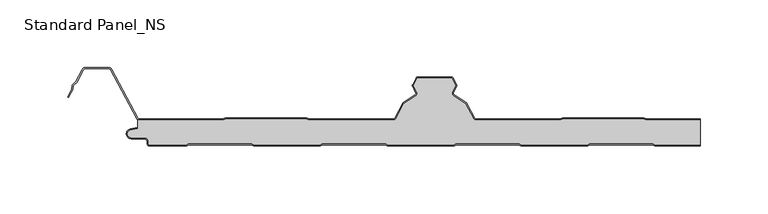
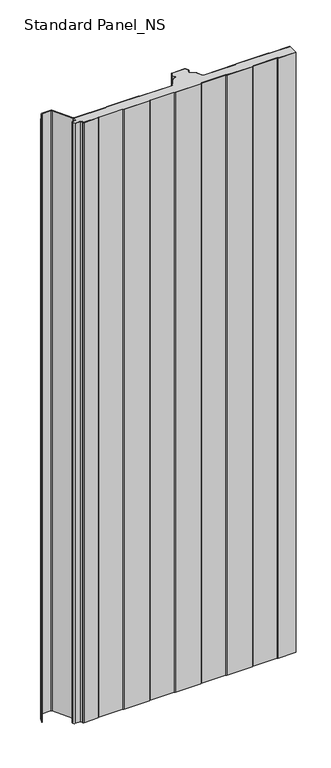
"""IFC4 building model written with IfcOpenShell, lengths in millimetres: proxy geometry, Standard Panel_NS."""

from ifc_helpers import new_model, si_unit, point, frame_2d, origin, origin_with_axes, place, context, project, spatial, polyline, circle_curve, trimmed, segment, composite_curve, outline, extrude, source, transform, mapped, element, save


def standard_panel_ns_5cf96f66(model_context):
    return source(origin(), model_context, "Body", "SweptSolid", [
        extrude(outline(composite_curve([segment(polyline([(-191.3607504, 19.186297), (-130.0661789, 19.186297), (-127.6845456, 20.1546867), (-67.8932049, 20.1546867), (-65.5115715, 19.186297), (-3.3723047, 19.186297)]), True, "CONTINUOUS"), segment(trimmed(circle_curve(frame_2d((-3.3750906, 20.9862949)), 1.8), [point((-3.3723047, 19.186297))], [point((-1.7857934, 20.1412302))], True, "CARTESIAN"), True, "CONTINUOUS"), segment(polyline([(-1.7857934, 20.1412302), (4.3386275, 31.6593134), (13.3220194, 37.3469308)]), True, "CONTINUOUS"), segment(trimmed(circle_curve(frame_2d((12.3591509, 38.8677478)), 1.8), [point((13.3220194, 37.3469308))], [point((13.9681734, 39.6746224))], True, "CARTESIAN"), True, "CONTINUOUS"), segment(polyline([(13.9681734, 39.6746224), (11.3711036, 44.8535484), (14.3485893, 50.4532499), (39.8425575, 50.4532499), (42.8256576, 44.8427209), (40.2338477, 39.6745401)]), True, "CONTINUOUS"), segment(trimmed(circle_curve(frame_2d((41.8428542, 38.8676336)), 1.8), [point((40.2338477, 39.6745401))], [point((40.8799555, 37.3468358))], True, "CARTESIAN"), True, "CONTINUOUS"), segment(polyline([(40.8799555, 37.3468358), (49.8465774, 31.6695862), (55.9762236, 20.1411234)]), True, "CONTINUOUS"), segment(trimmed(circle_curve(frame_2d((57.5653038, 20.9860322)), 1.7997352), [point((55.9762236, 20.1411234))], [point((57.5653038, 19.186297))], True, "CARTESIAN"), True, "CONTINUOUS"), segment(polyline([(57.5653038, 19.186297), (119.7028683, 19.186297), (122.0845088, 20.1546867), (181.8758496, 20.1546867), (184.2574895, 19.186297), (223.9042607, 19.186297), (223.9042607, 0.8), (190.1930584, 0.8), (188.4185569, 1.8), (141.9945958, 1.8), (140.262545, 0.8), (91.1930584, 0.8), (89.4185569, 1.8), (42.9945958, 1.8), (41.262545, 0.8), (-7.8087363, 0.8), (-9.5407871, 1.8), (-56.0054042, 1.8), (-57.737455, 0.786297), (-106.8069416, 0.786297), (-108.5814431, 1.786297), (-155.0054042, 1.786297), (-156.737455, 0.786297), (-183.7507504, 0.786297)]), True, "CONTINUOUS"), segment(trimmed(circle_curve(frame_2d((-183.7507504, 2.036297)), 1.25), [point((-183.7507504, 0.786297))], [point((-185.0007504, 2.036297))], False, "CARTESIAN"), True, "CONTINUOUS"), segment(polyline([(-185.0007504, 2.036297), (-185.0007504, 3.436297)]), True, "CONTINUOUS"), segment(trimmed(circle_curve(frame_2d((-187.7507504, 3.436297)), 2.75), [point((-185.0007504, 3.436297))], [point((-187.7507504, 6.186297))], True, "CARTESIAN"), True, "CONTINUOUS"), segment(polyline([(-187.7507504, 6.186297), (-197.5507504, 6.186297)]), True, "CONTINUOUS"), segment(trimmed(circle_curve(frame_2d((-197.5507504, 9.036297)), 2.85), [point((-197.5507504, 6.186297))], [point((-198.1918609, 11.8132517))], False, "CARTESIAN"), True, "CONTINUOUS"), segment(polyline([(-198.1918609, 11.8132517), (-192.7486452, 13.0699171), (-192.7486452, 19.5970804)]), True, "CONTINUOUS"), segment(trimmed(circle_curve(frame_2d((-191.3607504, 21.736297)), 2.55), [point((-192.7486452, 19.5970804))], [point((-191.3607504, 19.186297))], True, "CARTESIAN"), True, "CONTINUOUS")], self_intersect=False)), origin_with_axes(), (0.0, 0.0, 1.0), 1219.2),
        extrude(outline(composite_curve([segment(polyline([(189.9831604, 0.0), (188.2086589, 1.0), (142.2089551, 1.0), (140.4769043, 0.0), (90.9831604, 0.0), (89.2086589, 1.0), (43.2089551, 1.0), (41.4769043, 0.0), (-8.0230957, 0.0), (-9.7551465, 1.0), (-55.7910449, 1.0), (-57.5230957, -0.013703), (-107.0168396, -0.013703), (-108.7913411, 0.986297), (-154.7910449, 0.986297), (-156.5230957, -0.013703), (-183.7507504, -0.013703)]), True, "CONTINUOUS"), segment(trimmed(circle_curve(frame_2d((-183.7507504, 2.036297)), 2.05), [point((-183.7507504, -0.013703))], [point((-185.8007504, 2.036297))], False, "CARTESIAN"), True, "CONTINUOUS"), segment(polyline([(-185.8007504, 2.036297), (-185.8007504, 3.436297)]), True, "CONTINUOUS"), segment(trimmed(circle_curve(frame_2d((-187.7507504, 3.436297)), 1.95), [point((-185.8007504, 3.436297))], [point((-187.7507504, 5.386297))], True, "CARTESIAN"), True, "CONTINUOUS"), segment(polyline([(-187.7507504, 5.386297), (-197.5507504, 5.386297)]), True, "CONTINUOUS"), segment(trimmed(circle_curve(frame_2d((-197.5507504, 9.036297)), 3.65), [point((-197.5507504, 5.386297))], [point((-198.3718217, 12.5927478))], False, "CARTESIAN"), True, "CONTINUOUS"), segment(polyline([(-198.3718217, 12.5927478), (-192.9286061, 13.8494131), (-192.7486452, 13.0699171), (-198.1918609, 11.8132517)]), True, "CONTINUOUS"), segment(trimmed(circle_curve(frame_2d((-197.5507504, 9.036297)), 2.85), [point((-198.1918609, 11.8132517))], [point((-197.5507504, 6.186297))], True, "CARTESIAN"), True, "CONTINUOUS"), segment(polyline([(-197.5507504, 6.186297), (-187.7507504, 6.186297)]), True, "CONTINUOUS"), segment(trimmed(circle_curve(frame_2d((-187.7507504, 3.436297)), 2.75), [point((-187.7507504, 6.186297))], [point((-185.0007504, 3.436297))], False, "CARTESIAN"), True, "CONTINUOUS"), segment(polyline([(-185.0007504, 3.436297), (-185.0007504, 2.036297)]), True, "CONTINUOUS"), segment(trimmed(circle_curve(frame_2d((-183.7507504, 2.036297)), 1.25), [point((-185.0007504, 2.036297))], [point((-183.7507504, 0.786297))], True, "CARTESIAN"), True, "CONTINUOUS"), segment(polyline([(-183.7507504, 0.786297), (-156.737455, 0.786297), (-155.0054042, 1.786297), (-108.5814431, 1.786297), (-106.8069416, 0.786297), (-57.737455, 0.786297), (-56.0054042, 1.8), (-9.5407871, 1.8), (-7.8087363, 0.8), (41.262545, 0.8), (42.9945958, 1.8), (89.4185569, 1.8), (91.1930584, 0.8), (140.262545, 0.8), (141.9945958, 1.8), (188.4185569, 1.8), (190.1930584, 0.8), (223.9042607, 0.8), (223.9042607, 0.0), (189.9831604, 0.0)]), True, "CONTINUOUS")], self_intersect=False)), origin_with_axes(), (0.0, 0.0, 1.0), 1219.2),
        extrude(outline(composite_curve([segment(polyline([(-191.3607504, 20.0), (-130.2226037, 20.0), (-127.8409703, 20.9683897), (-67.7367801, 20.9683897), (-65.3551468, 20.0), (-3.3730141, 20.0)]), True, "CONTINUOUS"), segment(trimmed(circle_curve(frame_2d((-3.3750906, 20.9999978)), 1.0), [point((-3.3730141, 20.0))], [point((-2.4921477, 20.5305175))], True, "CARTESIAN"), True, "CONTINUOUS"), segment(polyline([(-2.4921477, 20.5305175), (3.7317189, 32.2356263), (12.8940779, 38.0365524)]), True, "CONTINUOUS"), segment(trimmed(circle_curve(frame_2d((12.3591509, 38.8814507)), 1.0), [point((12.8940779, 38.0365524))], [point((13.2530523, 39.3297144))], True, "CARTESIAN"), True, "CONTINUOUS"), segment(polyline([(13.2530523, 39.3297144), (10.7022883, 44.4163001)]), True, "CONTINUOUS"), segment(trimmed(circle_curve(frame_2d((11.5961897, 44.8645637)), 1.0), [point((10.7022883, 44.4163001))], [point((10.7132468, 45.3340441))], False, "CARTESIAN"), True, "CONTINUOUS"), segment(polyline([(10.7132468, 45.3340441), (13.4449029, 50.4714183)]), True, "CONTINUOUS"), segment(trimmed(circle_curve(frame_2d((14.7693172, 49.7671978)), 1.5), [point((13.4449029, 50.4714183))], [point((14.7964212, 51.2669529))], False, "CARTESIAN"), True, "CONTINUOUS"), segment(polyline([(14.7964212, 51.2669529), (39.4219504, 51.2669529)]), True, "CONTINUOUS"), segment(trimmed(circle_curve(frame_2d((39.4219504, 49.7669529)), 1.5), [point((39.4219504, 51.2669529))], [point((40.7463788, 50.4711471))], False, "CARTESIAN"), True, "CONTINUOUS"), segment(polyline([(40.7463788, 50.4711471), (43.4835237, 45.3232034)]), True, "CONTINUOUS"), segment(trimmed(circle_curve(frame_2d((42.6005714, 44.8537406)), 1.0), [point((43.4835237, 45.3232034))], [point((43.4944639, 44.4054592))], False, "CARTESIAN"), True, "CONTINUOUS"), segment(polyline([(43.4944639, 44.4054592), (40.9489617, 39.329618)]), True, "CONTINUOUS"), segment(trimmed(circle_curve(frame_2d((41.8428542, 38.8813366)), 1.0), [point((40.9489617, 39.329618))], [point((41.3079104, 38.0364489))], True, "CARTESIAN"), True, "CONTINUOUS"), segment(polyline([(41.3079104, 38.0364489), (50.4534972, 32.2458871), (56.6825853, 20.5303966)]), True, "CONTINUOUS"), segment(trimmed(circle_curve(frame_2d((57.5653038, 20.9997352)), 0.9997353), [point((56.6825853, 20.5303966))], [point((57.5653038, 19.9999999))], True, "CARTESIAN"), True, "CONTINUOUS"), segment(polyline([(57.5653038, 19.9999999), (119.546444, 19.9999999), (121.9280844, 20.9683897), (182.032274, 20.9683897), (184.4139138, 20.0), (223.9042607, 20.0), (223.9042607, 19.2), (184.2574895, 19.2), (181.8758496, 20.1683897), (122.0845088, 20.1683897), (119.7028683, 19.2), (57.5653038, 19.2)]), True, "CONTINUOUS"), segment(trimmed(circle_curve(frame_2d((57.5653038, 20.9997352)), 1.7997352), [point((57.5653038, 19.2))], [point((55.9762236, 20.1548264))], False, "CARTESIAN"), True, "CONTINUOUS"), segment(polyline([(55.9762236, 20.1548264), (49.8465774, 31.6832892), (40.8799555, 37.3605387)]), True, "CONTINUOUS"), segment(trimmed(circle_curve(frame_2d((41.8428542, 38.8813366)), 1.8), [point((40.8799555, 37.3605387))], [point((40.2338477, 39.6882431))], False, "CARTESIAN"), True, "CONTINUOUS"), segment(polyline([(40.2338477, 39.6882431), (42.8256576, 44.8564238), (39.8425575, 50.4669529), (14.3485893, 50.4669529), (11.3711036, 44.8672514), (13.9681734, 39.6883253)]), True, "CONTINUOUS"), segment(trimmed(circle_curve(frame_2d((12.3591509, 38.8814507)), 1.8), [point((13.9681734, 39.6883253))], [point((13.3220194, 37.3606338))], False, "CARTESIAN"), True, "CONTINUOUS"), segment(polyline([(13.3220194, 37.3606338), (4.3386275, 31.6730163), (-1.7857934, 20.1549332)]), True, "CONTINUOUS"), segment(trimmed(circle_curve(frame_2d((-3.3750906, 20.9999978)), 1.8), [point((-1.7857934, 20.1549332))], [point((-3.3723047, 19.2))], False, "CARTESIAN"), True, "CONTINUOUS"), segment(polyline([(-3.3723047, 19.2), (-65.5115715, 19.2), (-67.8932049, 20.1683897), (-127.6845456, 20.1683897), (-130.0661789, 19.2), (-191.3607504, 19.2)]), True, "CONTINUOUS"), segment(trimmed(circle_curve(frame_2d((-191.3607504, 21.75)), 2.55), [point((-191.3607504, 19.2))], [point((-193.6122667, 20.5528475))], False, "CARTESIAN"), True, "CONTINUOUS"), segment(polyline([(-193.6122667, 20.5528475), (-212.7155013, 56.4808064)]), True, "CONTINUOUS"), segment(trimmed(circle_curve(frame_2d((-214.5255439, 55.5183897)), 2.05), [point((-212.7155013, 56.4808064))], [point((-214.5255439, 57.5683897))], True, "CARTESIAN"), True, "CONTINUOUS"), segment(polyline([(-214.5255439, 57.5683897), (-231.2663514, 57.5683897)]), True, "CONTINUOUS"), segment(trimmed(circle_curve(frame_2d((-231.2663514, 55.5183897)), 2.05), [point((-231.2663514, 57.5683897))], [point((-233.076394, 56.4808064))], True, "CARTESIAN"), True, "CONTINUOUS"), segment(polyline([(-233.076394, 56.4808064), (-238.0216911, 47.1800551), (-240.3428004, 44.9723908), (-240.9163332, 41.7360251), (-244.0441824, 35.8533964), (-244.7505404, 36.2289737), (-241.6820111, 42.000038), (-241.084649, 45.3708693), (-238.6671014, 47.6702585), (-233.782752, 56.8563836)]), True, "CONTINUOUS"), segment(trimmed(circle_curve(frame_2d((-231.2663514, 55.5183897)), 2.85), [point((-233.782752, 56.8563836))], [point((-231.2663514, 58.3683897))], False, "CARTESIAN"), True, "CONTINUOUS"), segment(polyline([(-231.2663514, 58.3683897), (-214.5255439, 58.3683897)]), True, "CONTINUOUS"), segment(trimmed(circle_curve(frame_2d((-214.5255439, 55.5183897)), 2.85), [point((-214.5255439, 58.3683897))], [point((-212.0091432, 56.8563836))], False, "CARTESIAN"), True, "CONTINUOUS"), segment(polyline([(-212.0091432, 56.8563836), (-192.9059087, 20.9284248)]), True, "CONTINUOUS"), segment(trimmed(circle_curve(frame_2d((-191.3607504, 21.75)), 1.75), [point((-192.9059087, 20.9284248))], [point((-191.3607504, 20.0))], True, "CARTESIAN"), True, "CONTINUOUS")], self_intersect=False)), origin_with_axes(), (0.0, 0.0, 1.0), 1219.2),
    ])


if __name__ == "__main__":
    model = new_model("IFC4")
    model_context = context("Model", 3, world=origin())
    ifc_project = project(units=[si_unit("LENGTHUNIT", "METRE", prefix="MILLI")], contexts=[model_context])
    site = spatial("IfcSite", under=ifc_project)
    building = spatial("IfcBuilding", under=site)
    placement = place(None, origin())
    standard_panel_ns_shape = standard_panel_ns_5cf96f66(model_context)
    element("IfcBuildingElementProxy", 1, Name="Standard Panel_NS", ObjectType="Standard Panel_NS", at=placement, inside=building, context=model_context, shape_type="MappedRepresentation", body=[
        mapped(standard_panel_ns_shape, transform((0.0, 0.0, 0.0), x_axis=(1.0, 0.0, 0.0), y_axis=(0.0, 1.0, 0.0), z_axis=(0.0, 0.0, 1.0))),
    ])
    save(model, "model.ifc")
